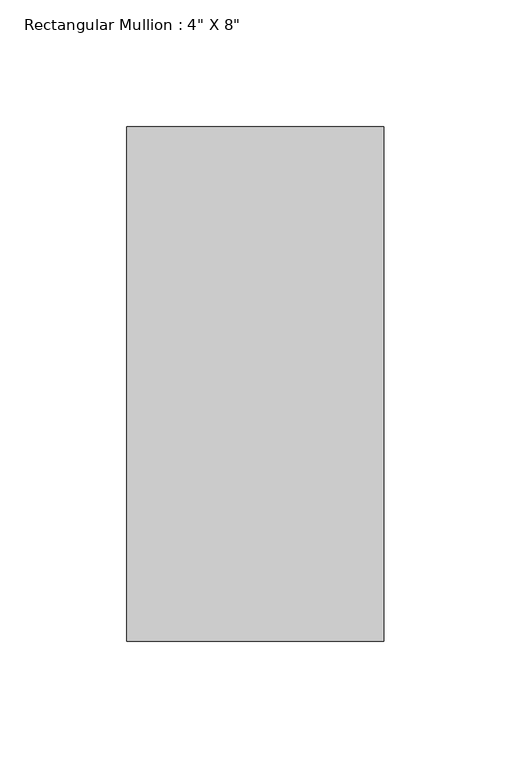
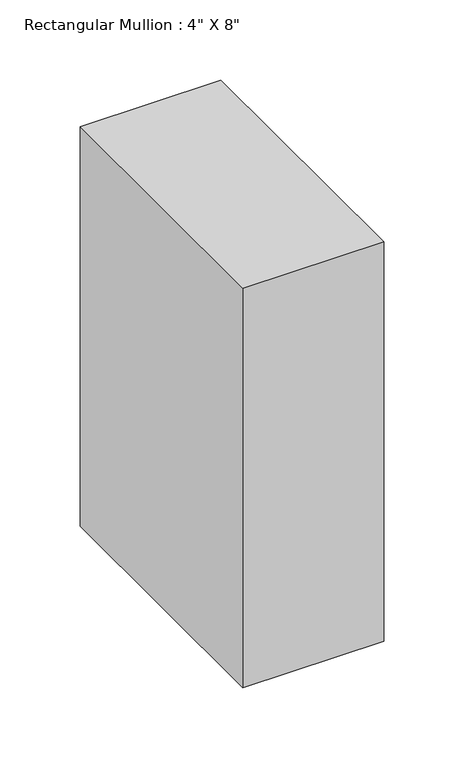
"""IFC4 building model written with IfcOpenShell, lengths in millimetres: member geometry."""

from ifc_helpers import new_model, si_unit, frame, origin, place, context, project, spatial, polyline, outline, extrude, source, transform, mapped, element, save


def member_8139f2d8(model_context):
    return source(origin(), model_context, "Body", "SweptSolid", [
        extrude(outline(polyline([(0.0, 63.5), (0.0, -139.7), (-101.6, -139.7), (-101.6, 63.5), (0.0, 63.5)])), frame((0.0, 0.0, -304.8), z_axis=(0.0, 0.0, 1.0), x_axis=(1.0, 0.0, 0.0)), (0.0, 0.0, 1.0), 304.8),
    ])


if __name__ == "__main__":
    model = new_model("IFC4")
    model_context = context("Model", 3, world=origin())
    ifc_project = project(units=[si_unit("LENGTHUNIT", "METRE", prefix="MILLI")], contexts=[model_context])
    site = spatial("IfcSite", under=ifc_project)
    building = spatial("IfcBuilding", under=site)
    placement = place(None, origin())
    member_shape = member_8139f2d8(model_context)
    element("IfcMember", 1, ObjectType="Rectangular Mullion : 4\" X 8\"", at=placement, inside=building, context=model_context, shape_type="MappedRepresentation", body=[
        mapped(member_shape, transform((0.0, 0.0, 0.0), x_axis=(1.0, 0.0, 0.0), y_axis=(0.0, 1.0, 0.0), z_axis=(0.0, 0.0, 1.0))),
    ])
    save(model, "model.ifc")
